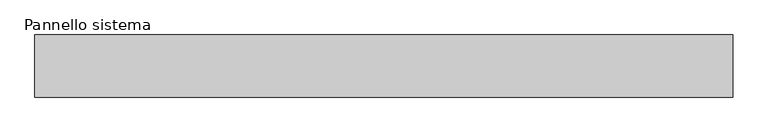
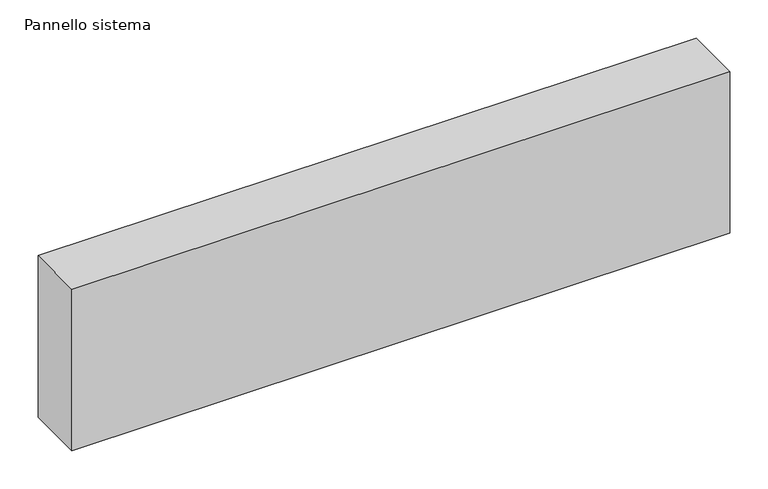
"""IFC4 building model written with IfcOpenShell, lengths in millimetres: plate geometry, Pannello sistema."""

from ifc_helpers import new_model, si_unit, origin, origin_with_axes, place, context, project, spatial, polyline, outline, extrude, source, transform, mapped, element, save


def pannello_sistema_388597ec(model_context):
    return source(origin(), model_context, "Body", "SweptSolid", [
        extrude(outline(polyline([(500.0, -44.5), (-500.0, -44.5), (-500.0, 44.5), (500.0, 44.5), (500.0, -44.5)])), origin_with_axes(), (0.0, 0.0, 1.0), 260.0),
    ])


if __name__ == "__main__":
    model = new_model("IFC4")
    model_context = context("Model", 3, world=origin())
    ifc_project = project(units=[si_unit("LENGTHUNIT", "METRE", prefix="MILLI")], contexts=[model_context])
    site = spatial("IfcSite", under=ifc_project)
    building = spatial("IfcBuilding", under=site)
    placement = place(None, origin())
    pannello_sistema_shape = pannello_sistema_388597ec(model_context)
    element("IfcPlate", 1, ObjectType="Pannello sistema", at=placement, inside=building, context=model_context, shape_type="MappedRepresentation", body=[
        mapped(pannello_sistema_shape, transform((0.0, 0.0, 0.0), x_axis=(1.0, 0.0, 0.0), y_axis=(0.0, 1.0, 0.0), z_axis=(0.0, 0.0, 1.0))),
    ])
    save(model, "model.ifc")
